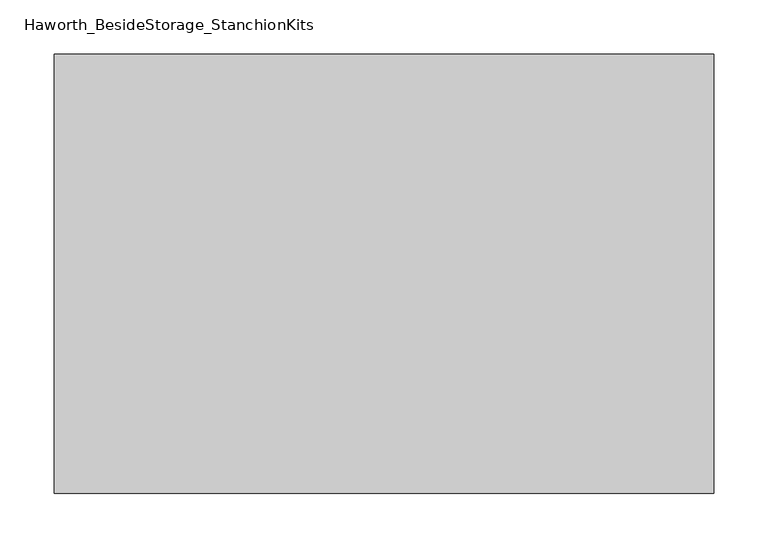
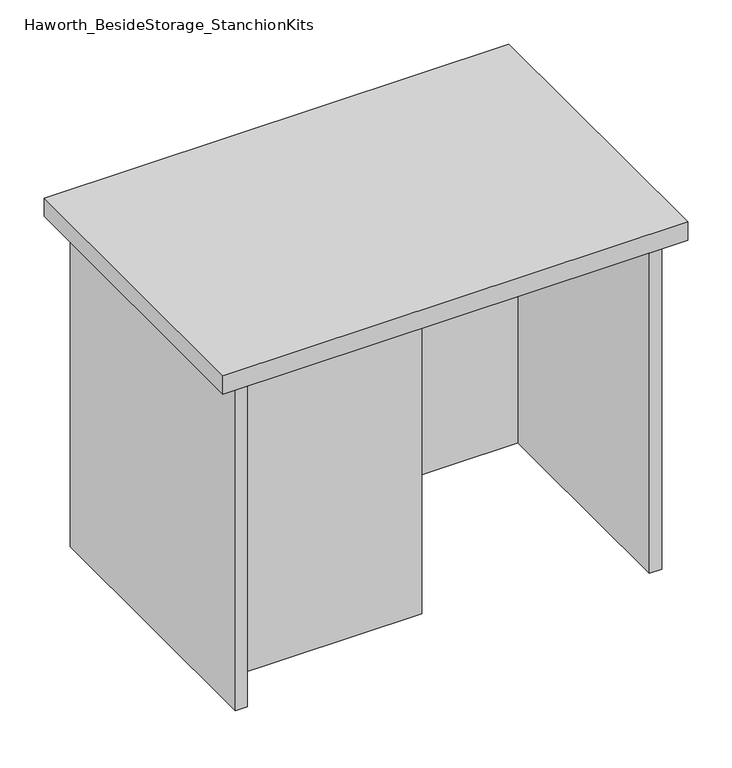
"""IFC4 building model written with IfcOpenShell, lengths in millimetres: furniture geometry, Haworth_BesideStorage_StanchionKits."""

from ifc_helpers import new_model, si_unit, frame, origin, place, context, project, spatial, polyline, outline, extrude, source, transform, mapped, element, save


def haworth_besidestorage_stanchionkits_ad27a831(model_context):
    return source(origin(), model_context, "Body", "SweptSolid", [
        extrude(outline(polyline([(466.725, 0.0), (466.725, -406.4), (-142.875, -406.4), (-142.875, 0.0), (466.725, 0.0)])), frame((0.0, 0.0, 889.0), z_axis=(0.0, 0.0, 1.0), x_axis=(1.0, 0.0, 0.0)), (0.0, 0.0, 1.0), 25.4),
        extrude(outline(polyline([(161.925, -76.2), (425.45, -76.2), (425.45, -92.075), (161.925, -92.075), (161.925, -76.2)])), frame((0.0, 0.0, 431.8), z_axis=(0.0, 0.0, 1.0), x_axis=(1.0, 0.0, 0.0)), (0.0, 0.0, 1.0), 457.2),
        extrude(outline(polyline([(161.925, -314.325), (161.925, -330.2), (-101.6, -330.2), (-101.6, -314.325), (161.925, -314.325)])), frame((0.0, 0.0, 431.8), z_axis=(0.0, 0.0, 1.0), x_axis=(1.0, 0.0, 0.0)), (0.0, 0.0, 1.0), 457.2),
        extrude(outline(polyline([(441.325, -390.525), (425.45, -390.525), (425.45, -15.875), (441.325, -15.875), (441.325, -390.525)])), frame((0.0, 0.0, 431.8), z_axis=(0.0, 0.0, 1.0), x_axis=(1.0, 0.0, 0.0)), (0.0, 0.0, 1.0), 457.2),
        extrude(outline(polyline([(-101.6, -390.525), (-117.475, -390.525), (-117.475, -15.875), (-101.6, -15.875), (-101.6, -390.525)])), frame((0.0, 0.0, 431.8), z_axis=(0.0, 0.0, 1.0), x_axis=(1.0, 0.0, 0.0)), (0.0, 0.0, 1.0), 457.2),
    ])


if __name__ == "__main__":
    model = new_model("IFC4")
    model_context = context("Model", 3, world=origin())
    ifc_project = project(units=[si_unit("LENGTHUNIT", "METRE", prefix="MILLI")], contexts=[model_context])
    site = spatial("IfcSite", under=ifc_project)
    building = spatial("IfcBuilding", under=site)
    placement = place(None, origin())
    haworth_besidestorage_stanchionkits_shape = haworth_besidestorage_stanchionkits_ad27a831(model_context)
    element("IfcFurniture", 1, ObjectType="Haworth_BesideStorage_StanchionKits", at=placement, inside=building, context=model_context, shape_type="MappedRepresentation", body=[
        mapped(haworth_besidestorage_stanchionkits_shape, transform((0.0, 0.0, 0.0), x_axis=(1.0, 0.0, 0.0), y_axis=(0.0, 1.0, 0.0), z_axis=(0.0, 0.0, 1.0))),
    ])
    save(model, "model.ifc")
